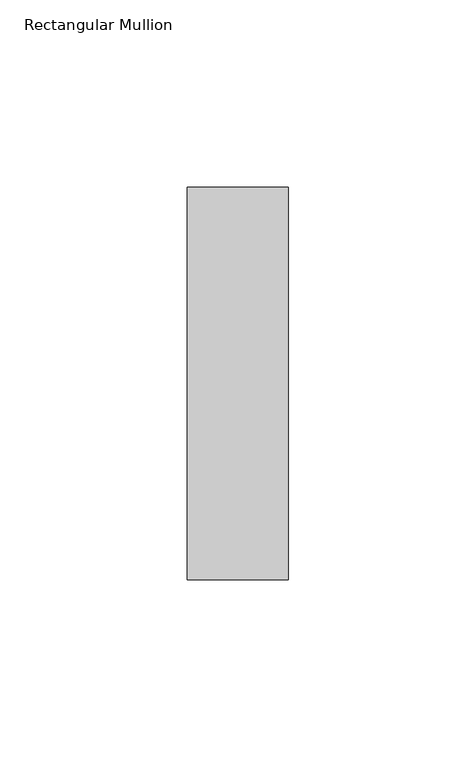
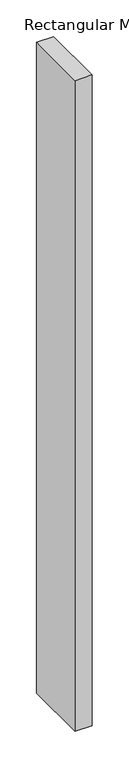
"""IFC4 building model written with IfcOpenShell, lengths in millimetres: member geometry, Rectangular Mullion."""

from ifc_helpers import new_model, si_unit, frame, origin, place, context, project, spatial, polyline, outline, extrude, source, transform, mapped, element, save


def rectangular_mullion_66d3b406(model_context):
    return source(origin(), model_context, "Body", "SweptSolid", [
        extrude(outline(polyline([(-27.0, 52.3975), (0.0, 52.3975), (0.0, -52.3975), (-27.0, -52.3975), (-27.0, 52.3975)])), frame((0.0, 0.0, -1082.0), z_axis=(0.0, 0.0, 1.0), x_axis=(1.0, 0.0, 0.0)), (0.0, 0.0, 1.0), 1082.0),
    ])


if __name__ == "__main__":
    model = new_model("IFC4")
    model_context = context("Model", 3, world=origin())
    ifc_project = project(units=[si_unit("LENGTHUNIT", "METRE", prefix="MILLI")], contexts=[model_context])
    site = spatial("IfcSite", under=ifc_project)
    building = spatial("IfcBuilding", under=site)
    placement = place(None, origin())
    rectangular_mullion_shape = rectangular_mullion_66d3b406(model_context)
    element("IfcMember", 1, ObjectType="Rectangular Mullion", at=placement, inside=building, context=model_context, shape_type="MappedRepresentation", body=[
        mapped(rectangular_mullion_shape, transform((0.0, 0.0, 0.0), x_axis=(1.0, 0.0, 0.0), y_axis=(0.0, 1.0, 0.0), z_axis=(0.0, 0.0, 1.0))),
    ])
    save(model, "model.ifc")
